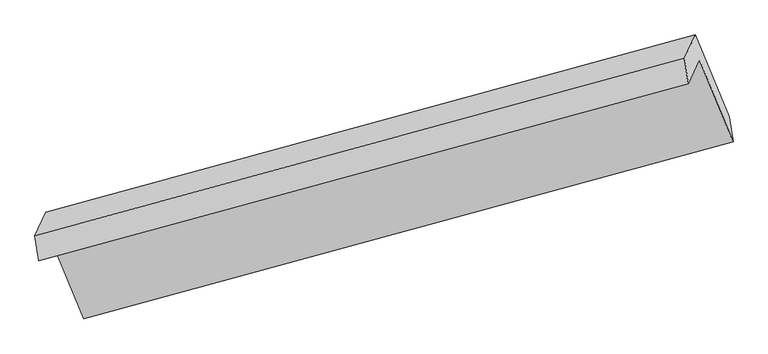
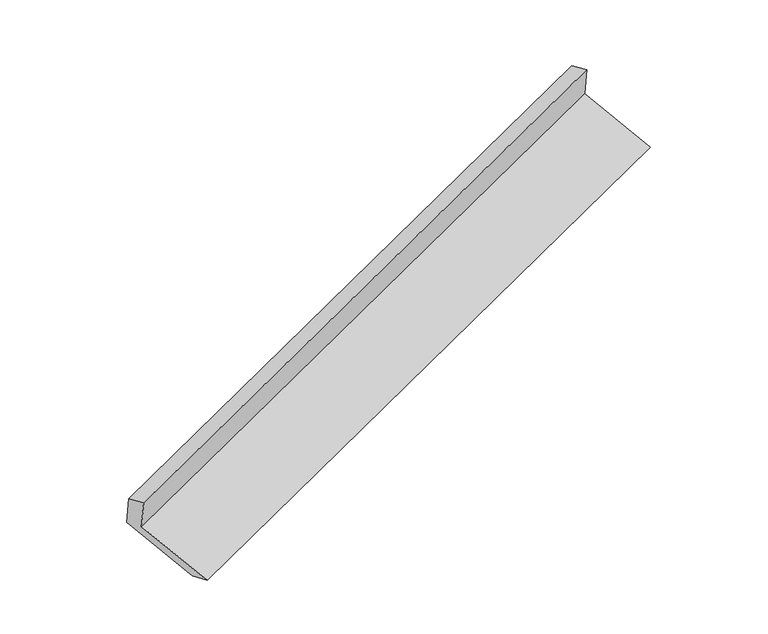
"""IFC4 building model written with IfcOpenShell, lengths in millimetres: proxy geometry."""

from ifc_helpers import new_model, si_unit, frame, origin, place, context, project, spatial, polyline, outline, extrude, source, transform, mapped, element, save


def generic_models_380b0829(model_context):
    return source(origin(), model_context, "Body", "SweptSolid", [
        extrude(outline(polyline([(-73.6374653, -149.8359262), (326.2403737, -149.8359262), (200.2634116, -294.0311536), (-189.6144273, -294.0311535), (-189.6144273, 371.7694661), (-73.6374653, 515.9646935), (-73.6374653, -149.8359262)])), frame((-5156.8140714, -2132.1942057, 1112.6837938), z_axis=(0.9127465970875309, 0.249069278005895, 0.32381807277969366), x_axis=(-0.1976898960066658, -0.42437487061489476, 0.8836428431258101)), (0.0, 0.0, 1.0), 5030.5195664),
    ])


if __name__ == "__main__":
    model = new_model("IFC4")
    model_context = context("Model", 3, world=origin())
    ifc_project = project(units=[si_unit("LENGTHUNIT", "METRE", prefix="MILLI")], contexts=[model_context])
    site = spatial("IfcSite", under=ifc_project)
    building = spatial("IfcBuilding", under=site)
    placement = place(None, origin())
    generic_models_shape = generic_models_380b0829(model_context)
    element("IfcBuildingElementProxy", 1, Name="Generic Models", at=placement, inside=building, context=model_context, shape_type="MappedRepresentation", body=[
        mapped(generic_models_shape, transform((0.0, 0.0, 0.0), x_axis=(1.0, 0.0, 0.0), y_axis=(0.0, 1.0, 0.0), z_axis=(0.0, 0.0, 1.0))),
    ])
    save(model, "model.ifc")
